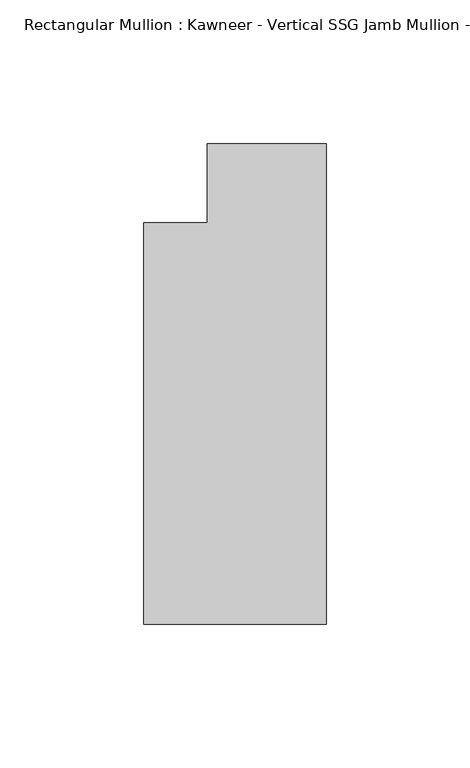
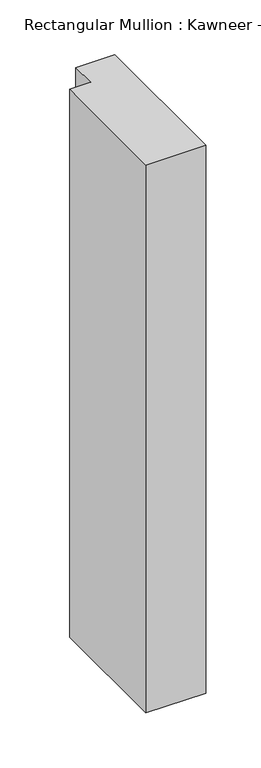
"""IFC4 building model written with IfcOpenShell, lengths in millimetres: member geometry."""

from ifc_helpers import new_model, si_unit, frame, origin, place, context, project, spatial, polyline, outline, extrude, source, transform, mapped, element, save


def member_de97f45e(model_context):
    return source(origin(), model_context, "Body", "SweptSolid", [
        extrude(outline(polyline([(0.0, -152.399995), (-63.5, -152.399995), (-63.5, -12.7), (-41.2751132, -12.7), (-41.2751132, 14.8599091), (0.0, 14.8599091), (0.0, -152.399995)])), frame((0.0, 0.0, -612.7750377), z_axis=(0.0, 0.0, 1.0), x_axis=(1.0, 0.0, 0.0)), (0.0, 0.0, 1.0), 612.7750377),
    ])


if __name__ == "__main__":
    model = new_model("IFC4")
    model_context = context("Model", 3, world=origin())
    ifc_project = project(units=[si_unit("LENGTHUNIT", "METRE", prefix="MILLI")], contexts=[model_context])
    site = spatial("IfcSite", under=ifc_project)
    building = spatial("IfcBuilding", under=site)
    placement = place(None, origin())
    member_shape = member_de97f45e(model_context)
    element("IfcMember", 1, ObjectType="Rectangular Mullion : Kawneer - Vertical SSG Jamb Mullion - 7 1/2\" - Left", at=placement, inside=building, context=model_context, shape_type="MappedRepresentation", body=[
        mapped(member_shape, transform((0.0, 0.0, 0.0), x_axis=(1.0, 0.0, 0.0), y_axis=(0.0, 1.0, 0.0), z_axis=(0.0, 0.0, 1.0))),
    ])
    save(model, "model.ifc")
